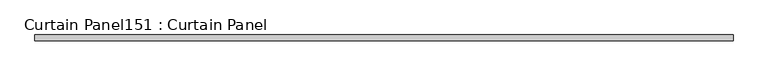
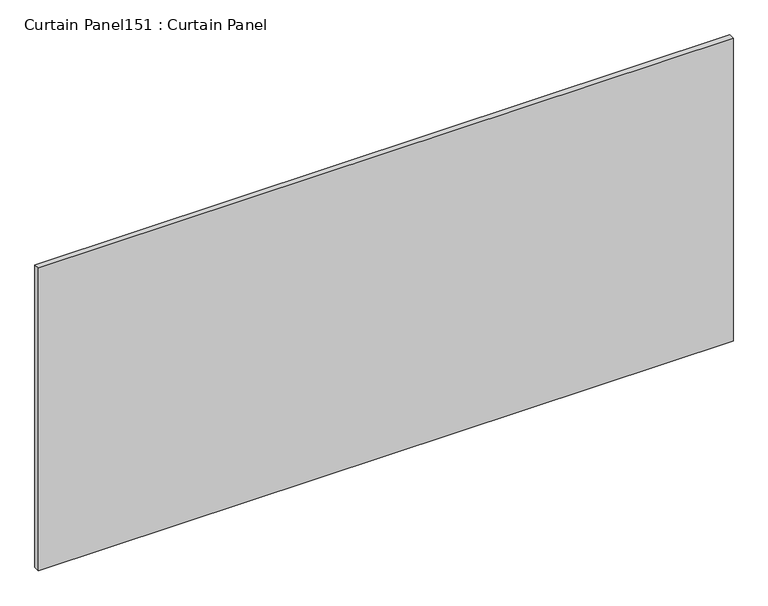
"""IFC4 building model written with IfcOpenShell, lengths in millimetres: plate geometry, Curtain Panel151 : Curtain Panel."""

from ifc_helpers import new_model, si_unit, frame, origin, place, context, project, spatial, polyline, outline, extrude, source, transform, mapped, element, save


def curtain_panel151_curtain_panel_c2d11a1c(model_context):
    return source(origin(), model_context, "Body", "SweptSolid", [
        extrude(outline(polyline([(400947.0312536, 2235.5339321), (397899.0312536, 2235.5339321), (397899.0312536, 2260.9339321), (400947.0312536, 2260.9339321), (400947.0312536, 2235.5339321)])), frame((0.0, 0.0, 7139.4873004), z_axis=(0.0, 0.0, 1.0), x_axis=(1.0, 0.0, 0.0)), (0.0, 0.0, 1.0), 1404.267575),
    ])


if __name__ == "__main__":
    model = new_model("IFC4")
    model_context = context("Model", 3, world=origin())
    ifc_project = project(units=[si_unit("LENGTHUNIT", "METRE", prefix="MILLI")], contexts=[model_context])
    site = spatial("IfcSite", under=ifc_project)
    building = spatial("IfcBuilding", under=site)
    placement = place(None, origin())
    curtain_panel151_curtain_panel_shape = curtain_panel151_curtain_panel_c2d11a1c(model_context)
    element("IfcPlate", 1, ObjectType="Curtain Panel151 : Curtain Panel", at=placement, inside=building, context=model_context, shape_type="MappedRepresentation", body=[
        mapped(curtain_panel151_curtain_panel_shape, transform((0.0, 0.0, 0.0), x_axis=(1.0, 0.0, 0.0), y_axis=(0.0, 1.0, 0.0), z_axis=(0.0, 0.0, 1.0))),
    ])
    save(model, "model.ifc")
